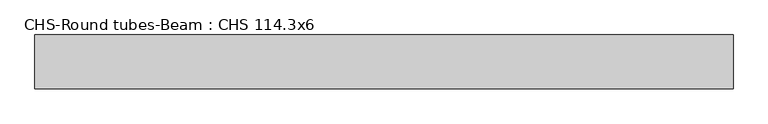
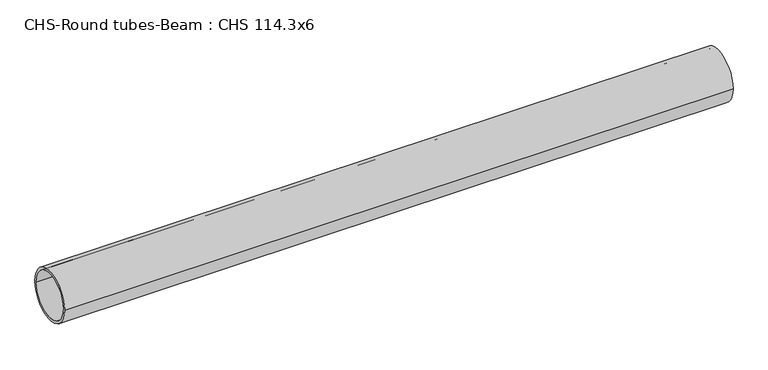
"""IFC4 building model written with IfcOpenShell, lengths in millimetres: beam geometry, CHS-Round tubes-Beam : CHS 114.3x6."""

from ifc_helpers import new_model, si_unit, point, frame, origin, origin_2d, place, context, project, spatial, circle_curve, trimmed, segment, composite_curve, outline, extrude, source, transform, mapped, element, save


def chs_round_tubes_beam_chs_114_3x6_7f411ff4(model_context):
    return source(origin(), model_context, "Body", "SweptSolid", [
        extrude(outline(composite_curve([segment(trimmed(circle_curve(origin_2d(), 57.15), [point((57.15, 0.0))], [point((-57.15, 0.0))], False, "CARTESIAN"), True, "CONTINUOUS"), segment(trimmed(circle_curve(origin_2d(), 57.15), [point((-57.15, 0.0))], [point((57.15, 0.0))], False, "CARTESIAN"), True, "CONTINUOUS")], self_intersect=False), holes=[composite_curve([segment(trimmed(circle_curve(origin_2d(), 51.15), [point((51.15, 0.0))], [point((-51.15, 0.0))], True, "CARTESIAN"), True, "CONTINUOUS"), segment(trimmed(circle_curve(origin_2d(), 51.15), [point((-51.15, 0.0))], [point((51.15, 0.0))], True, "CARTESIAN"), True, "CONTINUOUS")], self_intersect=False)]), frame((-734.3751293, 0.0, 0.0), z_axis=(1.0, 0.0, 0.0), x_axis=(0.0, 1.0, 0.0)), (0.0, 0.0, 1.0), 1480.6580183),
    ])


if __name__ == "__main__":
    model = new_model("IFC4")
    model_context = context("Model", 3, world=origin())
    ifc_project = project(units=[si_unit("LENGTHUNIT", "METRE", prefix="MILLI")], contexts=[model_context])
    site = spatial("IfcSite", under=ifc_project)
    building = spatial("IfcBuilding", under=site)
    placement = place(None, origin())
    chs_round_tubes_beam_chs_114_3x6_shape = chs_round_tubes_beam_chs_114_3x6_7f411ff4(model_context)
    element("IfcBeam", 1, ObjectType="CHS-Round tubes-Beam : CHS 114.3x6", at=placement, inside=building, context=model_context, shape_type="MappedRepresentation", body=[
        mapped(chs_round_tubes_beam_chs_114_3x6_shape, transform((0.0, 0.0, 0.0), x_axis=(1.0, 0.0, 0.0), y_axis=(0.0, 1.0, 0.0), z_axis=(0.0, 0.0, 1.0))),
    ])
    save(model, "model.ifc")
